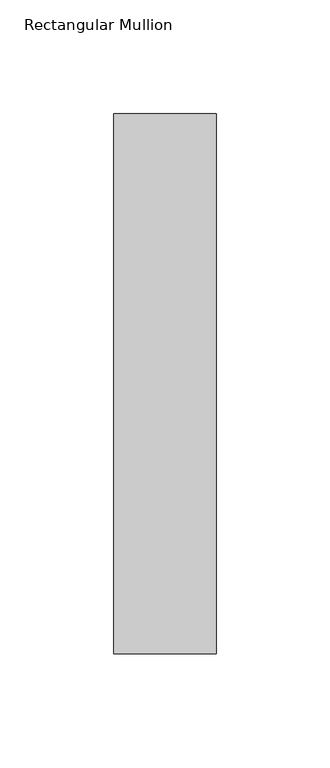
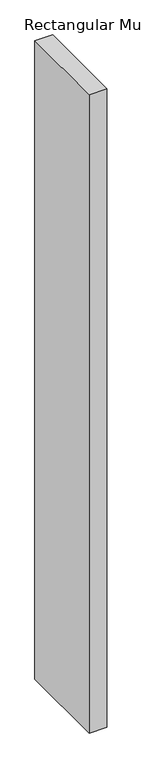
"""IFC4 building model written with IfcOpenShell, lengths in millimetres: member geometry, Rectangular Mullion."""

from ifc_helpers import new_model, si_unit, frame, origin, place, context, project, spatial, polyline, outline, extrude, source, transform, mapped, element, save


def rectangular_mullion_b1774fcc(model_context):
    return source(origin(), model_context, "Body", "SweptSolid", [
        extrude(outline(polyline([(22.5, 184.19375), (22.5, -53.19375), (-22.5, -53.19375), (-22.5, 184.19375), (22.5, 184.19375)])), frame((0.0, 0.0, -1708.8912252), z_axis=(0.0, 0.0, 1.0), x_axis=(1.0, 0.0, 0.0)), (0.0, 0.0, 1.0), 1708.8912252),
    ])


if __name__ == "__main__":
    model = new_model("IFC4")
    model_context = context("Model", 3, world=origin())
    ifc_project = project(units=[si_unit("LENGTHUNIT", "METRE", prefix="MILLI")], contexts=[model_context])
    site = spatial("IfcSite", under=ifc_project)
    building = spatial("IfcBuilding", under=site)
    placement = place(None, origin())
    rectangular_mullion_shape = rectangular_mullion_b1774fcc(model_context)
    element("IfcMember", 1, ObjectType="Rectangular Mullion", at=placement, inside=building, context=model_context, shape_type="MappedRepresentation", body=[
        mapped(rectangular_mullion_shape, transform((0.0, 0.0, 0.0), x_axis=(1.0, 0.0, 0.0), y_axis=(0.0, 1.0, 0.0), z_axis=(0.0, 0.0, 1.0))),
    ])
    save(model, "model.ifc")
